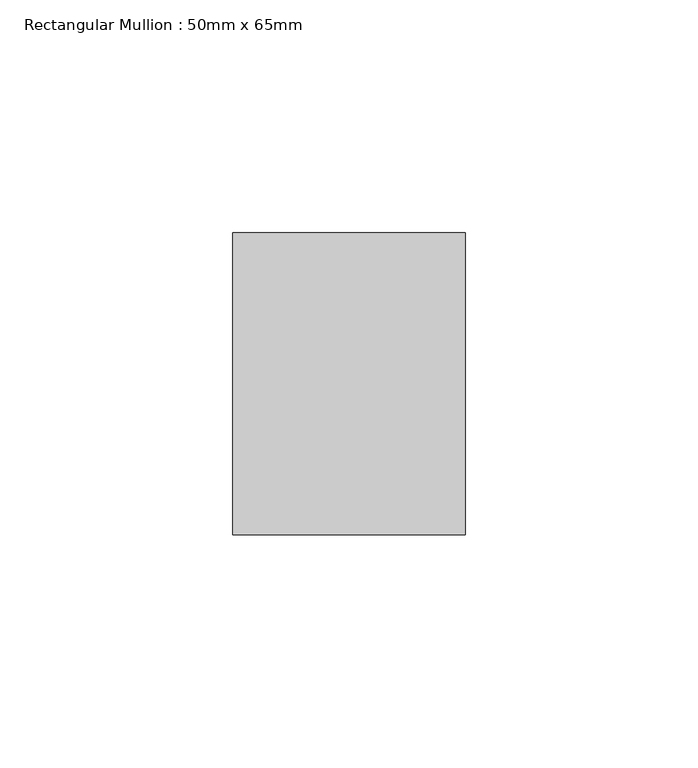
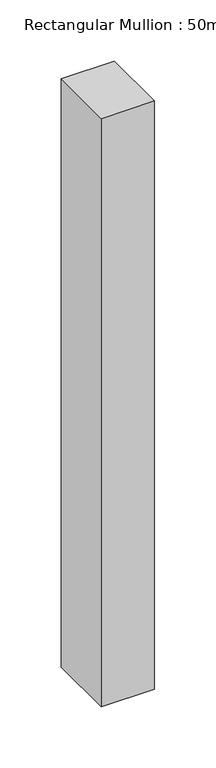
"""IFC4 building model written with IfcOpenShell, lengths in millimetres: member geometry, Rectangular Mullion : 50mm x 65mm."""

from ifc_helpers import new_model, si_unit, frame, origin, place, context, project, spatial, polyline, outline, extrude, source, transform, mapped, element, save


def rectangular_mullion_50mm_x_65mm_106b1408(model_context):
    return source(origin(), model_context, "Body", "SweptSolid", [
        extrude(outline(polyline([(25.0, 32.5), (25.0, -32.5), (-25.0, -32.5), (-25.0, 32.5), (25.0, 32.5)])), frame((0.0, 0.0, -585.2035773), z_axis=(0.0, 0.0, 1.0), x_axis=(1.0, 0.0, 0.0)), (0.0, 0.0, 1.0), 585.2035773),
    ])


if __name__ == "__main__":
    model = new_model("IFC4")
    model_context = context("Model", 3, world=origin())
    ifc_project = project(units=[si_unit("LENGTHUNIT", "METRE", prefix="MILLI")], contexts=[model_context])
    site = spatial("IfcSite", under=ifc_project)
    building = spatial("IfcBuilding", under=site)
    placement = place(None, origin())
    rectangular_mullion_50mm_x_65mm_shape = rectangular_mullion_50mm_x_65mm_106b1408(model_context)
    element("IfcMember", 1, ObjectType="Rectangular Mullion : 50mm x 65mm", at=placement, inside=building, context=model_context, shape_type="MappedRepresentation", body=[
        mapped(rectangular_mullion_50mm_x_65mm_shape, transform((0.0, 0.0, 0.0), x_axis=(1.0, 0.0, 0.0), y_axis=(0.0, 1.0, 0.0), z_axis=(0.0, 0.0, 1.0))),
    ])
    save(model, "model.ifc")
